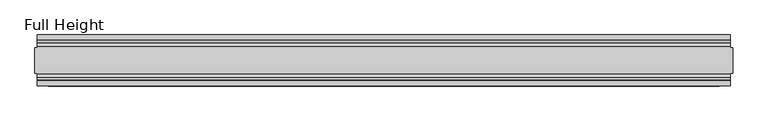
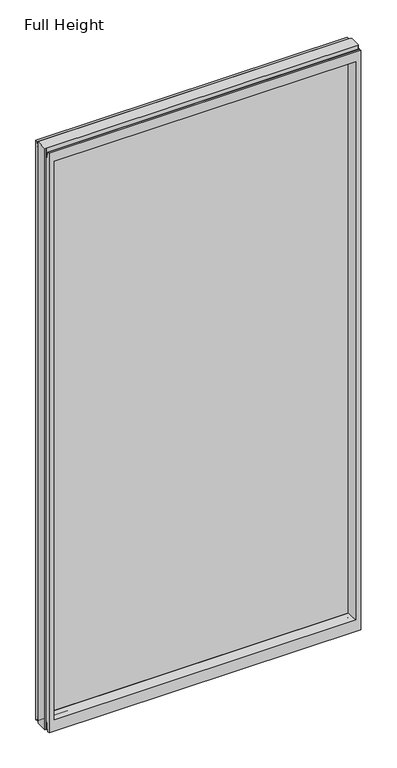
"""IFC4 building model written with IfcOpenShell, lengths in millimetres: plate geometry, Full Height."""

from ifc_helpers import new_model, si_unit, frame, origin, place, context, project, spatial, polyline, circle_curve, outline, extrude, source, transform, mapped, element, save
from ifc_brep_helpers import plane_surface, cylinder_surface, revolved_surface, advanced_brep


def full_height_1761e904(model_context):
    return source(origin(), model_context, "Body", "SolidModel", [
        advanced_brep(
        [(685.8, 25.146, 2688.336), (681.228, 25.146, 2688.336), (681.228, 26.67, 2688.336), (-681.228, 26.67, 2688.336), (-681.228, 25.146, 2688.336), (-685.8, 25.146, 2688.336), (-685.8, -25.146, 2688.336), (-681.228, -25.146, 2688.336), (-681.228, -26.67, 2688.336), (681.228, -26.67, 2688.336), (681.228, -25.146, 2688.336), (685.8, -25.146, 2688.336), (685.8, 25.146, 0.0), (685.8, -25.146, 0.0), (681.228, -25.146, 0.0), (681.228, -26.67, 0.0), (-681.228, -26.67, 0.0), (-681.228, -25.146, 0.0), (-685.8, -25.146, 0.0), (-685.8, 25.146, 0.0), (-681.228, 25.146, 0.0), (-681.228, 26.67, 0.0), (681.228, 26.67, 0.0), (681.228, 25.146, 0.0), (-681.228, 40.7946686, 0.0), (-681.228, 50.0, 0.0), (681.228, 50.0, 0.0), (681.228, 40.7946686, 0.0), (-681.228, 26.67, 36.4542208), (681.228, 26.67, 36.4542208), (-681.228, -26.67, 36.4542208), (-681.228, -34.2686707, 36.8568054), (-681.228, -36.9464913, 11.6561909), (-681.228, -39.043018, 8.6755976), (-681.228, -39.5246686, 7.9074686), (-681.228, -39.5246686, 1.27), (-681.228, -40.7946686, 0.0), (-681.228, -50.0, 0.0), (-681.228, -50.0, 2679.192), (-681.228, -39.9371387, 2679.192), (-681.228, -39.1867152, 2678.5623199), (-681.228, -34.2321175, 2650.4634004), (-681.228, -26.67, 2651.125), (-681.228, 39.5246686, 1.27), (-681.228, 39.5246686, 7.9074686), (-681.228, 39.043018, 8.6755976), (-681.228, 36.9464913, 11.6561909), (-681.228, 34.2686707, 36.8568054), (-681.228, 26.67, 2651.125), (-681.228, 34.2321175, 2650.4634004), (-681.228, 39.1867152, 2678.5623199), (-681.228, 39.9371387, 2679.192), (-681.228, 50.0, 2679.192), (681.228, -50.0, 0.0), (681.228, -50.0, 2679.192), (-659.13, -50.0, 2634.615), (659.13, -50.0, 2634.615), (659.13, -50.0, 52.8372208), (-659.13, -50.0, 52.8372208), (681.228, 50.0, 2679.192), (-659.13, 50.0, 52.8372208), (659.13, 50.0, 52.8372208), (659.13, 50.0, 2634.615), (-659.13, 50.0, 2634.615), (-653.161, -6.1006519, 58.8062208), (-653.161, -6.1006519, 2628.646), (-653.161, 6.1006519, 2628.646), (-653.161, 6.1006519, 58.8062208), (653.161, 6.1006519, 58.8062208), (653.161, 6.1006519, 2628.646), (653.161, -6.1006519, 2628.646), (653.161, -6.1006519, 58.8062208), (681.228, -40.7946686, 0.0), (681.228, -39.5246686, 1.27), (681.228, -39.5246686, 7.9074686), (681.228, -39.043018, 8.6755976), (681.228, -36.9464913, 11.6561909), (681.228, -34.2686707, 36.8568054), (681.228, -26.67, 36.4542208), (681.228, -26.67, 2651.125), (681.228, -34.2321175, 2650.4634004), (681.228, -39.1867152, 2678.5623199), (681.228, -39.9371387, 2679.192), (681.228, 39.9371387, 2679.192), (681.228, 39.1867152, 2678.5623199), (681.228, 34.2321175, 2650.4634004), (681.228, 26.67, 2651.125), (681.228, 34.2686707, 36.8568054), (681.228, 36.9464913, 11.6561909), (681.228, 39.043018, 8.6755976), (681.228, 39.5246686, 7.9074686), (681.228, 39.5246686, 1.27)],
        [
            (0, 1),
            (1, 2),
            (2, 3),
            (3, 4),
            (4, 5),
            (5, 6),
            (6, 7),
            (7, 8),
            (8, 9),
            (9, 10),
            (10, 11),
            (11, 0),
            (12, 13),
            (13, 14),
            (14, 15),
            (15, 16),
            (16, 17),
            (17, 18),
            (18, 19),
            (19, 20),
            (20, 21),
            (21, 22),
            (22, 23),
            (23, 12),
            (23, 1),
            (0, 12),
            (10, 14),
            (13, 11),
            (5, 19),
            (18, 6),
            (17, 7),
            (4, 20),
            (24, 25),
            (25, 26),
            (26, 27),
            (27, 24),
            (21, 28),
            (28, 29),
            (29, 22),
            (16, 30),
            (30, 31, circle_curve(frame((-681.228, -30.48, 36.4542208), z_axis=(1.0, 0.0, 0.0), x_axis=(0.0, -1.0, 0.0)), 3.81)),
            (31, 32),
            (32, 33, circle_curve(frame((-681.228, -40.6770502, 12.0526006), z_axis=(-1.0, 0.0, 0.0), x_axis=(0.0, -1.0, 0.0)), 3.751561)),
            (33, 34, circle_curve(frame((-681.228, -38.671343, 7.9074686), z_axis=(1.0, 0.0, 0.0), x_axis=(0.0, -1.0, 0.0)), 0.8533256)),
            (34, 35),
            (35, 36, circle_curve(frame((-681.228, -40.7946686, 1.27), z_axis=(-1.0, 0.0, 0.0), x_axis=(0.0, -1.0, 0.0)), 1.27)),
            (36, 37),
            (37, 38),
            (38, 39),
            (39, 40, circle_curve(frame((-681.228, -39.9371387, 2678.43), z_axis=(-1.0, 0.0, 0.0), x_axis=(0.0, -1.0, 0.0)), 0.762)),
            (40, 41),
            (41, 42, circle_curve(frame((-681.228, -30.48, 2651.125), z_axis=(1.0, 0.0, 0.0), x_axis=(0.0, -1.0, 0.0)), 3.81)),
            (42, 8),
            (24, 43, circle_curve(frame((-681.228, 40.7946686, 1.27), z_axis=(-1.0, 0.0, 0.0), x_axis=(0.0, -1.0, 0.0)), 1.27)),
            (43, 44),
            (44, 45, circle_curve(frame((-681.228, 38.671343, 7.9074686), z_axis=(1.0, 0.0, 0.0), x_axis=(0.0, -1.0, 0.0)), 0.8533256)),
            (45, 46, circle_curve(frame((-681.228, 40.6770502, 12.0526006), z_axis=(-1.0, 0.0, 0.0), x_axis=(0.0, -1.0, 0.0)), 3.751561)),
            (46, 47),
            (47, 28, circle_curve(frame((-681.228, 30.48, 36.4542208), z_axis=(1.0, 0.0, 0.0), x_axis=(0.0, -1.0, 0.0)), 3.81)),
            (3, 48),
            (48, 49, circle_curve(frame((-681.228, 30.48, 2651.125), z_axis=(1.0, 0.0, 0.0), x_axis=(0.0, -1.0, 0.0)), 3.81)),
            (49, 50),
            (50, 51, circle_curve(frame((-681.228, 39.9371387, 2678.43), z_axis=(-1.0, 0.0, 0.0), x_axis=(0.0, -1.0, 0.0)), 0.762)),
            (51, 52),
            (52, 25),
            (37, 53),
            (53, 54),
            (54, 38),
            (55, 56),
            (56, 57),
            (57, 58),
            (58, 55),
            (52, 59),
            (59, 26),
            (60, 61),
            (61, 62),
            (62, 63),
            (63, 60),
            (58, 64),
            (64, 65),
            (65, 55),
            (63, 66),
            (66, 67),
            (67, 60),
            (61, 68),
            (68, 69),
            (69, 62),
            (70, 71),
            (71, 57),
            (56, 70),
            (53, 72),
            (72, 73, circle_curve(frame((681.228, -40.7946686, 1.27), z_axis=(1.0, 0.0, 0.0), x_axis=(0.0, -1.0, 0.0)), 1.27)),
            (73, 74),
            (74, 75, circle_curve(frame((681.228, -38.671343, 7.9074686), z_axis=(-1.0, 0.0, 0.0), x_axis=(0.0, -1.0, 0.0)), 0.8533256)),
            (75, 76, circle_curve(frame((681.228, -40.6770502, 12.0526006), z_axis=(1.0, 0.0, 0.0), x_axis=(0.0, -1.0, 0.0)), 3.751561)),
            (76, 77),
            (77, 78, circle_curve(frame((681.228, -30.48, 36.4542208), z_axis=(-1.0, 0.0, 0.0), x_axis=(0.0, -1.0, 0.0)), 3.81)),
            (78, 15),
            (9, 79),
            (79, 80, circle_curve(frame((681.228, -30.48, 2651.125), z_axis=(-1.0, 0.0, 0.0), x_axis=(0.0, -1.0, 0.0)), 3.81)),
            (80, 81),
            (81, 82, circle_curve(frame((681.228, -39.9371387, 2678.43), z_axis=(1.0, 0.0, 0.0), x_axis=(0.0, -1.0, 0.0)), 0.762)),
            (82, 54),
            (59, 83),
            (83, 84, circle_curve(frame((681.228, 39.9371387, 2678.43), z_axis=(1.0, 0.0, 0.0), x_axis=(0.0, -1.0, 0.0)), 0.762)),
            (84, 85),
            (85, 86, circle_curve(frame((681.228, 30.48, 2651.125), z_axis=(-1.0, 0.0, 0.0), x_axis=(0.0, -1.0, 0.0)), 3.81)),
            (86, 2),
            (29, 87, circle_curve(frame((681.228, 30.48, 36.4542208), z_axis=(-1.0, 0.0, 0.0), x_axis=(0.0, -1.0, 0.0)), 3.81)),
            (87, 88),
            (88, 89, circle_curve(frame((681.228, 40.6770502, 12.0526006), z_axis=(1.0, 0.0, 0.0), x_axis=(0.0, -1.0, 0.0)), 3.751561)),
            (89, 90, circle_curve(frame((681.228, 38.671343, 7.9074686), z_axis=(-1.0, 0.0, 0.0), x_axis=(0.0, -1.0, 0.0)), 0.8533256)),
            (90, 91),
            (91, 27, circle_curve(frame((681.228, 40.7946686, 1.27), z_axis=(1.0, 0.0, 0.0), x_axis=(0.0, -1.0, 0.0)), 1.27)),
            (91, 43),
            (90, 44),
            (89, 45),
            (88, 46),
            (87, 47),
            (78, 30),
            (31, 77),
            (76, 32),
            (75, 33),
            (74, 34),
            (73, 35),
            (72, 36),
            (71, 64),
            (67, 68),
            (86, 48),
            (85, 49),
            (84, 50),
            (83, 51),
            (69, 66),
            (65, 70),
            (82, 39),
            (81, 40),
            (80, 41),
            (79, 42),
            (65, 66),
            (69, 70),
            (71, 68),
            (67, 64),
        ],
        [
            plane_surface(frame((681.228, 25.146, 2688.336), z_axis=(0.0, 0.0, 1.0), x_axis=(-1.0, 0.0, 0.0))),
            plane_surface(frame((681.228, 25.146, 0.0), z_axis=(0.0, 0.0, -1.0), x_axis=(1.0, 0.0, 0.0))),
            plane_surface(frame((685.8, 25.146, 2688.336), z_axis=(0.0, 1.0, 0.0), x_axis=(0.0, 0.0, -1.0))),
            plane_surface(frame((681.228, -25.146, 2688.336), z_axis=(0.0, -1.0, 0.0), x_axis=(0.0, 0.0, -1.0))),
            plane_surface(frame((685.8, -25.146, 2688.336), z_axis=(1.0, 0.0, 0.0), x_axis=(0.0, 0.0, -1.0))),
            plane_surface(frame((-685.8, 25.146, 2688.336), z_axis=(-1.0, 0.0, 0.0), x_axis=(0.0, 0.0, -1.0))),
            plane_surface(frame((-685.8, -25.146, 2688.336), z_axis=(0.0, -1.0, 0.0), x_axis=(0.0, 0.0, -1.0))),
            plane_surface(frame((-681.228, 25.146, 2688.336), z_axis=(0.0, 1.0, 0.0), x_axis=(0.0, 0.0, -1.0))),
            plane_surface(frame((-681.228, 50.0, 0.0), z_axis=(0.0, 0.0, -1.0), x_axis=(1.0, 0.0, 0.0))),
            plane_surface(frame((-681.228, 26.67, 36.4542208), z_axis=(0.0, 1.0, 0.0), x_axis=(1.0, 0.0, 0.0))),
            plane_surface(frame((-681.228, 50.0, 2646.4006), z_axis=(-1.0, 0.0, 0.0), x_axis=(0.0, 0.0, -1.0))),
            plane_surface(frame((-681.228, -50.0, 2646.4006), z_axis=(0.0, -1.0, 0.0), x_axis=(0.0, 0.0, -1.0))),
            plane_surface(frame((-659.13, 50.0, 2646.4006), z_axis=(0.0, 1.0, 0.0), x_axis=(0.0, 0.0, -1.0))),
            plane_surface(frame((-659.13, -50.0, 2646.4006), z_axis=(0.9908822943533606, -0.13473039277393942, 0.0), x_axis=(0.0, 0.0, -1.0))),
            plane_surface(frame((-653.161, 6.1006519, 2646.4006), z_axis=(0.9908822943533612, 0.13473039277393595, 0.0), x_axis=(0.0, 0.0, -1.0))),
            plane_surface(frame((659.13, 50.0, 2646.4006), z_axis=(-0.9908822943533602, 0.1347303927739433, 0.0), x_axis=(0.0, 0.0, -1.0))),
            plane_surface(frame((653.161, -6.1006519, 2646.4006), z_axis=(-0.990882294353356, -0.13473039277397456, 0.0), x_axis=(0.0, 0.0, -1.0))),
            plane_surface(frame((681.228, -50.0, 2646.4006), z_axis=(1.0, 0.0, 0.0), x_axis=(0.0, 0.0, -1.0))),
            cylinder_surface(frame((681.228, 40.7946686, 1.27), z_axis=(-1.0, 0.0, 0.0), x_axis=(0.0, -1.0, 0.0)), 1.27),
            plane_surface(frame((-681.228, 39.5246686, 1.27), z_axis=(0.0, -1.0, 0.0), x_axis=(1.0, 0.0, 0.0))),
            revolved_surface(polyline([(681.228, 37.8180174, 7.9074686), (-681.228, 37.8180174, 7.9074686)]), (681.228, 38.671343, 7.9074686), (1.0, 0.0, 0.0)),
            cylinder_surface(frame((681.228, 40.6770502, 12.0526006), z_axis=(-1.0, 0.0, 0.0), x_axis=(0.0, -1.0, 0.0)), 3.751561),
            plane_surface(frame((-681.228, 36.9464913, 11.6561909), z_axis=(0.0, -0.9944017560866669, -0.10566526151840601), x_axis=(1.0, 0.0, 0.0))),
            plane_surface(frame((-681.228, -26.67, 0.0), z_axis=(0.0, -1.0, 0.0), x_axis=(1.0, 0.0, 0.0))),
            plane_surface(frame((-681.228, -34.2686707, 36.8568054), z_axis=(0.0, 0.9944017560866217, -0.10566526151883056), x_axis=(1.0, 0.0, 0.0))),
            cylinder_surface(frame((681.228, -40.6770502, 12.0526006), z_axis=(-1.0, 0.0, 0.0), x_axis=(0.0, -1.0, 0.0)), 3.751561),
            revolved_surface(polyline([(681.228, -39.5246686, 7.9074686), (-681.228, -39.5246686, 7.9074686)]), (681.228, -38.671343, 7.9074686), (1.0, 0.0, 0.0)),
            plane_surface(frame((-681.228, -39.5246686, 7.9074686), z_axis=(0.0, 1.0, 0.0), x_axis=(1.0, 0.0, 0.0))),
            cylinder_surface(frame((681.228, -40.7946686, 1.27), z_axis=(-1.0, 0.0, 0.0), x_axis=(0.0, -1.0, 0.0)), 1.27),
            plane_surface(frame((-681.228, -40.7946686, 0.0), z_axis=(0.0, 0.0, -1.0), x_axis=(1.0, 0.0, 0.0))),
            plane_surface(frame((-681.228, -50.0, 52.8372208), z_axis=(0.0, -0.13473039277394736, 0.9908822943533596), x_axis=(1.0, 0.0, 0.0))),
            plane_surface(frame((-681.228, 6.1006519, 58.8062208), z_axis=(0.0, 0.1347303927739993, 0.9908822943533525), x_axis=(1.0, 0.0, 0.0))),
            revolved_surface(polyline([(681.228, 26.67, 36.4542208), (-681.228, 26.67, 36.4542208)]), (681.228, 30.48, 36.4542208), (1.0, 0.0, 0.0)),
            revolved_surface(polyline([(681.228, -34.29, 36.4542208), (-681.228, -34.29, 36.4542208)]), (681.228, -30.48, 36.4542208), (1.0, 0.0, 0.0)),
            plane_surface(frame((-681.228, 26.67, 2688.336), z_axis=(0.0, 1.0, 0.0), x_axis=(1.0, 0.0, 0.0))),
            revolved_surface(polyline([(681.2279999999998, 26.67, 2651.125), (-681.228, 26.67, 2651.125)]), (-685.8, 30.48, 2651.125), (1.0, 0.0, 0.0)),
            plane_surface(frame((-681.228, 34.2321175, 2650.4634004), z_axis=(0.0, -0.9848077530113107, 0.17364817767201934), x_axis=(1.0, 0.0, 0.0))),
            cylinder_surface(frame((-685.8, 39.9371387, 2678.43), z_axis=(-1.0, 0.0, 0.0), x_axis=(0.0, -1.0, 0.0)), 0.762),
            plane_surface(frame((-681.228, 39.9371387, 2679.192), z_axis=(0.0, 0.0, 1.0), x_axis=(1.0, 0.0, 0.0))),
            plane_surface(frame((-681.228, 50.0, 2634.615), z_axis=(0.0, 0.13473039277344984, -0.9908822943534272), x_axis=(1.0, 0.0, 0.0))),
            plane_surface(frame((-681.228, -6.1006519, 2628.646), z_axis=(0.0, -0.13473039277247661, -0.9908822943535596), x_axis=(1.0, 0.0, 0.0))),
            plane_surface(frame((-681.228, -50.0, 2679.192), z_axis=(0.0, 0.0, 1.0), x_axis=(1.0, 0.0, 0.0))),
            cylinder_surface(frame((-685.8, -39.9371387, 2678.43), z_axis=(-1.0, 0.0, 0.0), x_axis=(0.0, -1.0, 0.0)), 0.762),
            plane_surface(frame((-681.228, -39.1867152, 2678.5623199), z_axis=(0.0, 0.9848077530103814, 0.17364817767729013), x_axis=(1.0, 0.0, 0.0))),
            revolved_surface(polyline([(681.2279999999998, -34.29, 2651.125), (-681.228, -34.29, 2651.125)]), (-685.8, -30.48, 2651.125), (1.0, 0.0, 0.0)),
            plane_surface(frame((-681.228, -26.67, 2651.125), z_axis=(0.0, -1.0, 0.0), x_axis=(1.0, 0.0, 0.0))),
            plane_surface(frame((-681.228, 6.1006519, 2628.646), z_axis=(0.0, 0.0, -1.0), x_axis=(1.0, 0.0, 0.0))),
            plane_surface(frame((-681.228, -6.1006519, 58.8062208), z_axis=(0.0, 0.0, 1.0), x_axis=(1.0, 0.0, 0.0))),
            plane_surface(frame((-653.161, -6.1006519, 2646.4006), z_axis=(1.0, 0.0, 0.0), x_axis=(0.0, 0.0, -1.0))),
            plane_surface(frame((653.161, 6.1006519, 2646.4006), z_axis=(-1.0, 0.0, 0.0), x_axis=(0.0, 0.0, -1.0))),
        ],
        [
            (0, [[1, 2, 3, 4, 5, 6, 7, 8, 9, 10, 11, 12]]),
            (1, [[13, 14, 15, 16, 17, 18, 19, 20, 21, 22, 23, 24]]),
            (2, [[25, -1, 26, -24]]),
            (3, [[-11, 27, -14, 28]]),
            (4, [[-12, -28, -13, -26]]),
            (5, [[-6, 29, -19, 30]]),
            (6, [[31, -7, -30, -18]]),
            (7, [[-5, 32, -20, -29]]),
            (8, [[33, 34, 35, 36]]),
            (9, [[37, 38, 39, -22]]),
            (10, [[-17, 40, 41, 42, 43, 44, 45, 46, 47, 48, 49, 50, 51, 52, 53, -8, -31]]),
            (10, [[-33, 54, 55, 56, 57, 58, 59, -37, -21, -32, -4, 60, 61, 62, 63, 64, 65]]),
            (11, [[-48, 66, 67, 68], [69, 70, 71, 72]]),
            (12, [[-65, 73, 74, -34], [75, 76, 77, 78]]),
            (13, [[-72, 79, 80, 81]]),
            (14, [[-78, 82, 83, 84]]),
            (15, [[-76, 85, 86, 87]]),
            (16, [[88, 89, -70, 90]]),
            (17, [[-67, 91, 92, 93, 94, 95, 96, 97, 98, -15, -27, -10, 99, 100, 101, 102, 103]]),
            (17, [[-74, 104, 105, 106, 107, 108, -2, -25, -23, -39, 109, 110, 111, 112, 113, 114, -35]]),
            (18, [[-54, -36, -114, 115]]),
            (19, [[-55, -115, -113, 116]]),
            (20, [[-56, -116, -112, 117]]),
            (21, [[-57, -117, -111, 118]]),
            (22, [[-58, -118, -110, 119]]),
            (23, [[-40, -16, -98, 120]]),
            (24, [[-42, 121, -96, 122]]),
            (25, [[-43, -122, -95, 123]]),
            (26, [[-44, -123, -94, 124]]),
            (27, [[-45, -124, -93, 125]]),
            (28, [[-46, -125, -92, 126]]),
            (29, [[-47, -126, -91, -66]]),
            (30, [[-71, -89, 127, -79]]),
            (31, [[-75, -84, 128, -85]]),
            (32, [[-59, -119, -109, -38]]),
            (33, [[-41, -120, -97, -121]]),
            (34, [[-60, -3, -108, 129]]),
            (35, [[-61, -129, -107, 130]]),
            (36, [[-62, -130, -106, 131]]),
            (37, [[-63, -131, -105, 132]]),
            (38, [[-64, -132, -104, -73]]),
            (39, [[-77, -87, 133, -82]]),
            (40, [[-69, -81, 134, -90]]),
            (41, [[-49, -68, -103, 135]]),
            (42, [[-50, -135, -102, 136]]),
            (43, [[-51, -136, -101, 137]]),
            (44, [[-52, -137, -100, 138]]),
            (45, [[-53, -138, -99, -9]]),
            (46, [[-134, 139, -133, 140]]),
            (47, [[-127, 141, -128, 142]]),
            (48, [[-83, -139, -80, -142]]),
            (49, [[-88, -140, -86, -141]]),
        ],
    ),
        extrude(outline(polyline([(-653.161, 4.826), (653.161, 4.826), (653.161, -4.826), (-653.161, -4.826), (-653.161, 4.826)])), frame((0.0, 0.0, 58.8062208), z_axis=(0.0, 0.0, 1.0), x_axis=(1.0, 0.0, 0.0)), (0.0, 0.0, 1.0), 2569.8397792),
    ])


if __name__ == "__main__":
    model = new_model("IFC4")
    model_context = context("Model", 3, world=origin())
    ifc_project = project(units=[si_unit("LENGTHUNIT", "METRE", prefix="MILLI")], contexts=[model_context])
    site = spatial("IfcSite", under=ifc_project)
    building = spatial("IfcBuilding", under=site)
    placement = place(None, origin())
    full_height_shape = full_height_1761e904(model_context)
    element("IfcPlate", 1, ObjectType="Full Height", at=placement, inside=building, context=model_context, shape_type="MappedRepresentation", body=[
        mapped(full_height_shape, transform((0.0, 0.0, 0.0), x_axis=(1.0, 0.0, 0.0), y_axis=(0.0, 1.0, 0.0), z_axis=(0.0, 0.0, 1.0))),
    ])
    save(model, "model.ifc")
